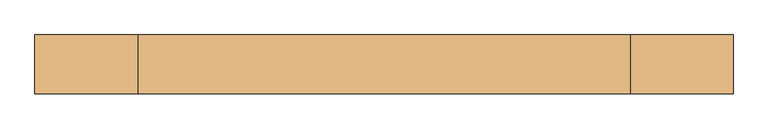
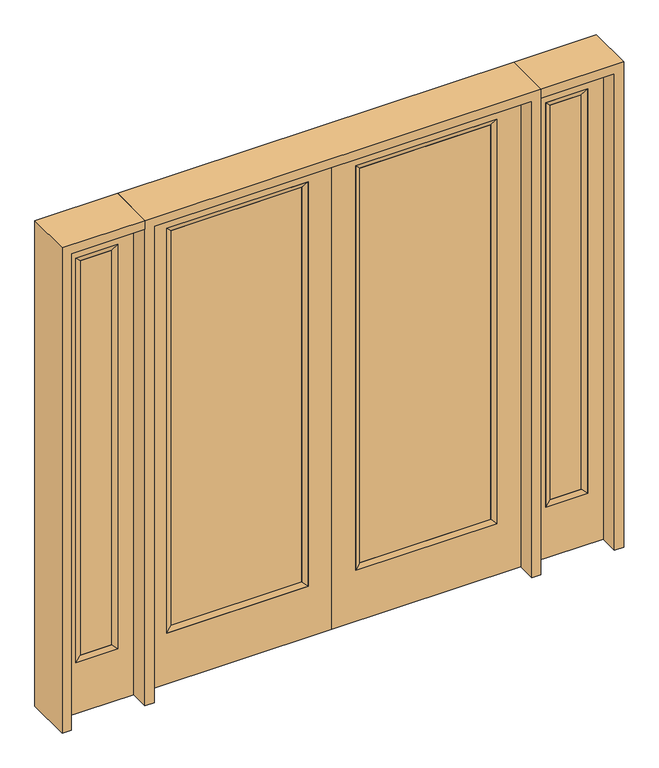
"""IFC4 building model written with IfcOpenShell, lengths in millimetres: door geometry."""

from ifc_helpers import new_model, si_unit, frame, origin, place, context, project, spatial, polyline, outline, extrude, faceted_brep, source, transform, mapped, element, save


def door_a5284ce4(model_context):
    return source(origin(), model_context, "Body", "SolidModel", [
        extrude(outline(polyline([(140.8176, -12.7039749), (140.8176, 14.2875), (773.5824, 14.2875), (773.5824, -12.7039749), (140.8176, -12.7039749)])), frame((0.0, 0.0, 285.75), z_axis=(0.0, 0.0, 1.0), x_axis=(1.0, 0.0, 0.0)), (0.0, 0.0, 1.0), 2019.3),
        faceted_brep([(140.8176, 14.2875, 2305.05), (140.8176, 14.2875, 285.75), (115.4176, 22.225, 260.35), (115.4176, 22.225, 2330.45), (115.4176, -22.225, 260.35), (115.4176, -22.225, 2330.45), (773.5824, 14.2875, 285.75), (798.9824, 22.225, 260.35), (140.8176, -12.7039749, 2305.05), (140.8176, -12.7039749, 285.75), (773.5824, -12.7039749, 285.75), (798.9824, -22.225, 260.35), (773.5824, 14.2875, 2305.05), (798.9824, 22.225, 2330.45), (773.5824, -12.7039749, 2305.05), (798.9824, -22.225, 2330.45)], [[[0, 1, 2, 3]], [[3, 2, 4, 5]], [[1, 6, 7, 2]], [[8, 9, 1, 0]], [[9, 10, 6, 1]], [[5, 4, 9, 8]], [[4, 11, 10, 9]], [[2, 7, 11, 4]], [[6, 12, 13, 7]], [[10, 14, 12, 6]], [[11, 15, 14, 10]], [[7, 13, 15, 11]], [[12, 0, 3, 13]], [[14, 8, 0, 12]], [[15, 5, 8, 14]], [[13, 3, 5, 15]]]),
        extrude(outline(polyline([(0.0, 914.4), (2438.4, 914.4), (2438.4, 0.0), (0.0, 0.0), (0.0, 914.4)]), holes=[polyline([(260.35, 798.9824), (260.35, 115.4176), (2330.45, 115.4176), (2330.45, 798.9824), (260.35, 798.9824)])]), frame((0.0, -22.225, 0.0), z_axis=(0.0, 1.0, 0.0), x_axis=(0.0, 0.0, 1.0)), (0.0, 0.0, 1.0), 44.45),
        extrude(outline(polyline([(-140.8176, -12.7039749), (-773.5824, -12.7039749), (-773.5824, 14.2875), (-140.8176, 14.2875), (-140.8176, -12.7039749)])), frame((0.0, 0.0, 285.75), z_axis=(0.0, 0.0, 1.0), x_axis=(1.0, 0.0, 0.0)), (0.0, 0.0, 1.0), 2019.3),
        faceted_brep([(-140.8176, 14.2875, 2305.05), (-115.4176, 22.225, 2330.45), (-115.4176, 22.225, 260.35), (-140.8176, 14.2875, 285.75), (-115.4176, -22.225, 2330.45), (-115.4176, -22.225, 260.35), (-798.9824, 22.225, 260.35), (-773.5824, 14.2875, 285.75), (-140.8176, -12.7039749, 2305.05), (-140.8176, -12.7039749, 285.75), (-773.5824, -12.7039749, 285.75), (-798.9824, -22.225, 260.35), (-798.9824, 22.225, 2330.45), (-773.5824, 14.2875, 2305.05), (-773.5824, -12.7039749, 2305.05), (-798.9824, -22.225, 2330.45)], [[[0, 1, 2, 3]], [[1, 4, 5, 2]], [[3, 2, 6, 7]], [[8, 0, 3, 9]], [[9, 3, 7, 10]], [[4, 8, 9, 5]], [[5, 9, 10, 11]], [[2, 5, 11, 6]], [[7, 6, 12, 13]], [[10, 7, 13, 14]], [[11, 10, 14, 15]], [[6, 11, 15, 12]], [[13, 12, 1, 0]], [[14, 13, 0, 8]], [[15, 14, 8, 4]], [[12, 15, 4, 1]]]),
        extrude(outline(polyline([(0.0, -914.4), (0.0, 0.0), (2438.4, 0.0), (2438.4, -914.4), (0.0, -914.4)]), holes=[polyline([(260.35, -798.9824), (2330.45, -798.9824), (2330.45, -115.4176), (260.35, -115.4176), (260.35, -798.9824)])]), frame((0.0, -22.225, 0.0), z_axis=(0.0, 1.0, 0.0), x_axis=(0.0, 0.0, 1.0)), (0.0, 0.0, 1.0), 44.45),
        faceted_brep([(1035.05, 20.6375, 2330.45), (1035.05, 20.6375, 260.35), (1035.05, -20.6375, 260.35), (1035.05, -20.6375, 2330.45), (1060.45, -12.7, 285.75), (1060.45, -12.7, 2305.05), (1238.25, 20.6375, 260.35), (1238.25, -20.6375, 260.35), (1060.45, 12.7, 2305.05), (1060.45, 12.7, 285.75), (1212.85, 12.7, 285.75), (1212.85, -12.7, 285.75), (1238.25, 20.6375, 2330.45), (1238.25, -20.6375, 2330.45), (1212.85, 12.7, 2305.05), (1212.85, -12.7, 2305.05)], [[[0, 1, 2, 3]], [[3, 2, 4, 5]], [[1, 6, 7, 2]], [[8, 9, 1, 0]], [[9, 10, 6, 1]], [[5, 4, 9, 8]], [[4, 11, 10, 9]], [[2, 7, 11, 4]], [[6, 12, 13, 7]], [[10, 14, 12, 6]], [[11, 15, 14, 10]], [[7, 13, 15, 11]], [[12, 0, 3, 13]], [[14, 8, 0, 12]], [[15, 5, 8, 14]], [[13, 3, 5, 15]]]),
        extrude(outline(polyline([(0.0, 1314.45), (2438.4, 1314.45), (2438.4, 958.85), (0.0, 958.85), (0.0, 1314.45)]), holes=[polyline([(2330.45, 1035.05), (2330.45, 1238.25), (260.35, 1238.25), (260.35, 1035.05), (2330.45, 1035.05)])]), frame((0.0, -20.6375, 0.0), z_axis=(0.0, 1.0, 0.0), x_axis=(0.0, 0.0, 1.0)), (0.0, 0.0, 1.0), 41.275),
        extrude(outline(polyline([(1060.45, -12.7), (1060.45, 12.7), (1212.85, 12.7), (1212.85, -12.7), (1060.45, -12.7)])), frame((0.0, 0.0, 285.75), z_axis=(0.0, 0.0, 1.0), x_axis=(1.0, 0.0, 0.0)), (0.0, 0.0, 1.0), 2019.3),
        faceted_brep([(-1035.05, 20.6375, 2330.45), (-1035.05, -20.6375, 2330.45), (-1035.05, -20.6375, 260.35), (-1035.05, 20.6375, 260.35), (-1060.45, -12.7, 2305.05), (-1060.45, -12.7, 285.75), (-1238.25, -20.6375, 260.35), (-1238.25, 20.6375, 260.35), (-1060.45, 12.7, 2305.05), (-1060.45, 12.7, 285.75), (-1212.85, 12.7, 285.75), (-1212.85, -12.7, 285.75), (-1238.25, -20.6375, 2330.45), (-1238.25, 20.6375, 2330.45), (-1212.85, 12.7, 2305.05), (-1212.85, -12.7, 2305.05)], [[[0, 1, 2, 3]], [[1, 4, 5, 2]], [[3, 2, 6, 7]], [[8, 0, 3, 9]], [[9, 3, 7, 10]], [[4, 8, 9, 5]], [[5, 9, 10, 11]], [[2, 5, 11, 6]], [[7, 6, 12, 13]], [[10, 7, 13, 14]], [[11, 10, 14, 15]], [[6, 11, 15, 12]], [[13, 12, 1, 0]], [[14, 13, 0, 8]], [[15, 14, 8, 4]], [[12, 15, 4, 1]]]),
        extrude(outline(polyline([(0.0, -1314.45), (0.0, -958.85), (2438.4, -958.85), (2438.4, -1314.45), (0.0, -1314.45)]), holes=[polyline([(2330.45, -1035.05), (260.35, -1035.05), (260.35, -1238.25), (2330.45, -1238.25), (2330.45, -1035.05)])]), frame((0.0, -20.6375, 0.0), z_axis=(0.0, 1.0, 0.0), x_axis=(0.0, 0.0, 1.0)), (0.0, 0.0, 1.0), 41.275),
        extrude(outline(polyline([(-1060.45, -12.7), (-1212.85, -12.7), (-1212.85, 12.7), (-1060.45, 12.7), (-1060.45, -12.7)])), frame((0.0, 0.0, 285.75), z_axis=(0.0, 0.0, 1.0), x_axis=(1.0, 0.0, 0.0)), (0.0, 0.0, 1.0), 2019.3),
        extrude(outline(polyline([(2438.4, -958.85), (2482.85, -958.85), (2482.85, -1358.9), (0.0, -1358.9), (0.0, -1314.45), (2438.4, -1314.45), (2438.4, -958.85)])), frame((0.0, -114.3, 0.0), z_axis=(0.0, 1.0, 0.0), x_axis=(0.0, 0.0, 1.0)), (0.0, 0.0, 1.0), 228.6),
        extrude(outline(polyline([(2482.85, -958.85), (0.0, -958.85), (0.0, -914.4), (2438.4, -914.4), (2438.4, 914.4), (0.0, 914.4), (0.0, 958.85), (2482.85, 958.85), (2482.85, -958.85)])), frame((0.0, -114.3, 0.0), z_axis=(0.0, 1.0, 0.0), x_axis=(0.0, 0.0, 1.0)), (0.0, 0.0, 1.0), 228.6),
        extrude(outline(polyline([(0.0, 1314.45), (0.0, 1358.9), (2482.85, 1358.9), (2482.85, 958.85), (2438.4, 958.85), (2438.4, 1314.45), (0.0, 1314.45)])), frame((0.0, -114.3, 0.0), z_axis=(0.0, 1.0, 0.0), x_axis=(0.0, 0.0, 1.0)), (0.0, 0.0, 1.0), 228.6),
    ])


if __name__ == "__main__":
    model = new_model("IFC4")
    model_context = context("Model", 3, world=origin())
    ifc_project = project(units=[si_unit("LENGTHUNIT", "METRE", prefix="MILLI")], contexts=[model_context])
    site = spatial("IfcSite", under=ifc_project)
    building = spatial("IfcBuilding", under=site)
    placement = place(None, origin())
    door_shape = door_a5284ce4(model_context)
    element("IfcDoor", 1, at=placement, inside=building, context=model_context, shape_type="MappedRepresentation", body=[
        mapped(door_shape, transform((0.0, 0.0, 0.0), x_axis=(1.0, 0.0, 0.0), y_axis=(0.0, 1.0, 0.0), z_axis=(0.0, 0.0, 1.0))),
    ])
    save(model, "model.ifc")
